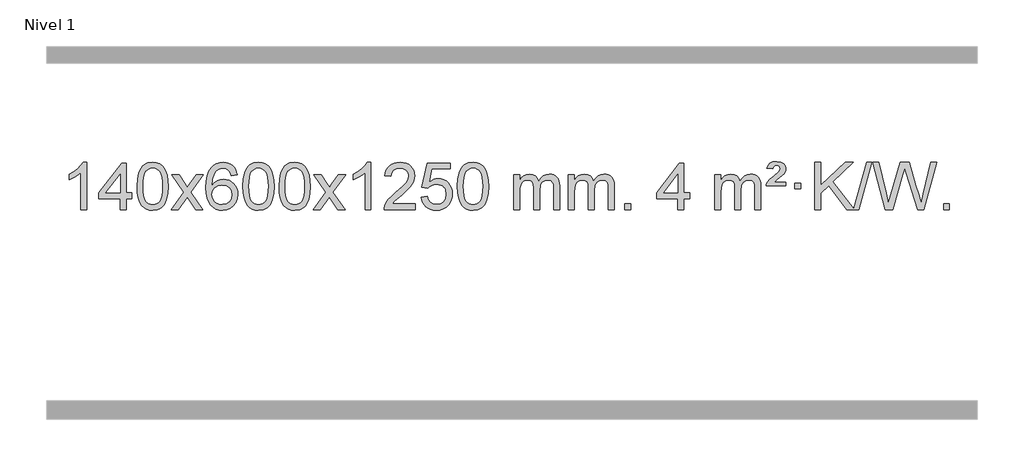
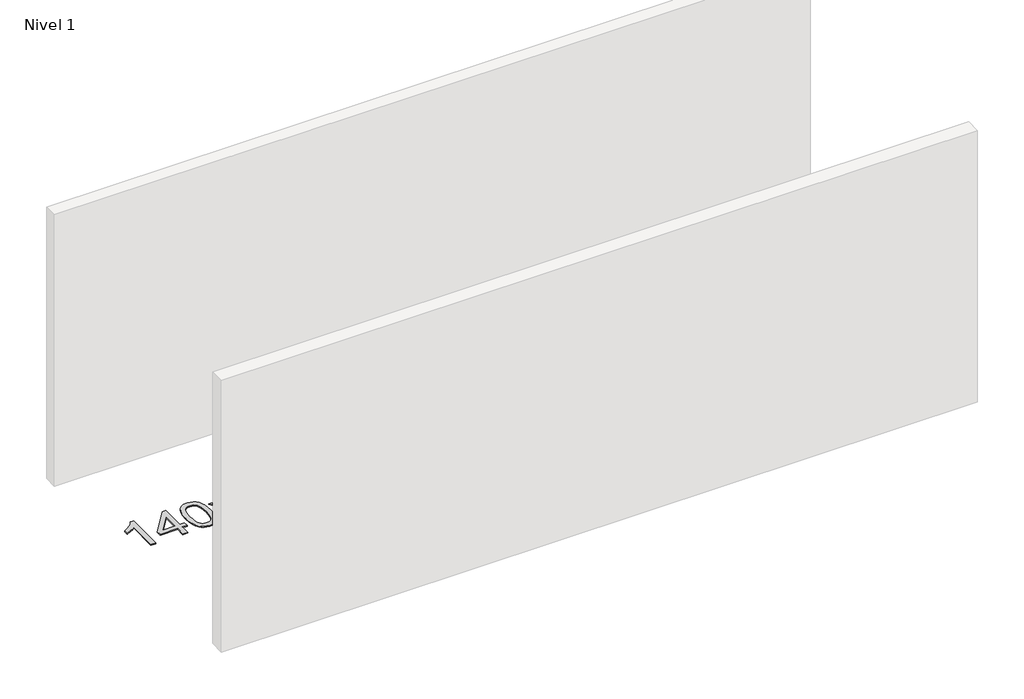
# One storey, part 5 of 12: 1 proxy.
"""IFC4 building model written with IfcOpenShell, lengths in millimetres."""

from ifc_helpers import new_model, si_unit, origin, origin_with_axes, place, context, project, spatial, polyline, outline, extrude, element, save

model = new_model("IFC4")

# Units and contexts
model_context = context("Model", 3, world=origin())
ifc_project = project(units=[si_unit("LENGTHUNIT", "METRE", prefix="MILLI")], contexts=[model_context])

# Site, building, storey
site = spatial("IfcSite", under=ifc_project)
building = spatial("IfcBuilding", under=site)
storey = spatial("IfcBuildingStorey", under=building, Name="Nivel 1", Elevation=0.0)

# Proxy
placement = place(None, origin())
element("IfcBuildingElementProxy", 1, Name="Texto de modelo 1", ObjectType="Texto de modelo 1", at=placement, inside=storey, context=model_context, shape_type="SweptSolid", body=[
    extrude(outline(polyline([(-6189.3326366, -18407.579453), (-6239.5607917, -18407.579453), (-6239.5607917, -18094.4382987), (-6260.5300654, -18111.3976587), (-6287.1401964, -18128.3324932), (-6340.0171019, -18153.6918254), (-6340.0171019, -18106.2105225), (-6300.5678892, -18084.7507395), (-6266.3916519, -18059.219729), (-6239.4504271, -18032.0700378), (-6221.7062522, -18005.7542124), (-6189.3326366, -18005.7542124), (-6189.3326366, -18407.579453)])), origin_with_axes(), (0.0, 0.0, 1.0), 10.0),
    extrude(outline(polyline([(-5906.7992643, -18407.579453), (-5906.7992643, -18313.4016622), (-6088.8763265, -18313.4016622), (-6088.8763265, -18263.1735072), (-5894.2422256, -18012.0327318), (-5856.5711093, -18012.0327318), (-5856.5711093, -18263.1735072), (-5806.3429542, -18263.1735072), (-5806.3429542, -18313.4016622), (-5856.5711093, -18313.4016622), (-5856.5711093, -18407.579453), (-5906.7992643, -18407.579453)]), holes=[polyline([(-5906.7992643, -18263.1735072), (-5906.7992643, -18107.9763561), (-6027.0721513, -18263.1735072), (-5906.7992643, -18263.1735072)])]), origin_with_axes(), (0.0, 0.0, 1.0), 10.0),
    extrude(outline(polyline([(-5762.3933185, -18209.9041943), (-5758.7022358, -18145.5861588), (-5747.6289878, -18094.2911459), (-5729.2839389, -18055.2343407), (-5717.4258759, -18040.0009605), (-5703.7774539, -18027.6309284), (-5688.2926876, -18018.0598651), (-5670.9255918, -18011.2233914), (-5630.5444114, -18005.7542124), (-5599.5932729, -18008.991574), (-5571.8794959, -18018.7036586), (-5548.7029302, -18034.5103217), (-5531.3634255, -18056.0314184), (-5518.2668265, -18083.0830078), (-5507.8189778, -18115.4811488), (-5500.9763727, -18156.6226186), (-5498.6955043, -18209.9041943), (-5502.3497988, -18273.8543477), (-5513.3126823, -18325.0267333), (-5531.5473665, -18364.1203266), (-5543.3778383, -18379.3996922), (-5557.0170633, -18391.8341036), (-5572.5202237, -18401.4695462), (-5589.9425019, -18408.3520052), (-5630.5444114, -18413.8579724), (-5658.2091375, -18411.4667394), (-5682.7346038, -18404.2930405), (-5704.1208105, -18392.3368757), (-5722.3677574, -18375.5982449), (-5739.8789404, -18345.3399508), (-5752.3869282, -18307.6381776), (-5759.8917209, -18262.4929255), (-5762.3933185, -18209.9041943)]), holes=[polyline([(-5712.1651634, -18209.8060924), (-5710.6936354, -18253.4706195), (-5706.2790515, -18288.8148822), (-5698.9214116, -18315.8388804), (-5688.6207157, -18334.5426142), (-5676.1617788, -18347.2682656), (-5662.3294158, -18356.3580165), (-5647.1236267, -18361.8118671), (-5630.5444114, -18363.6298173), (-5613.9651962, -18361.8057357), (-5598.759407, -18356.3334911), (-5584.927044, -18347.2130833), (-5572.4681071, -18334.4445124), (-5562.1674113, -18315.7101217), (-5554.8097713, -18288.6922549), (-5550.3951874, -18253.3909118), (-5548.9236594, -18209.8060924), (-5550.3461365, -18167.2973278), (-5554.6135676, -18132.5753989), (-5561.7259529, -18105.6403055), (-5571.6832922, -18086.4920476), (-5583.9337626, -18073.1440625), (-5597.9255412, -18063.6097875), (-5613.6586278, -18057.8892225), (-5631.1330226, -18055.9823675), (-5647.6263987, -18057.6623619), (-5662.5746705, -18062.7023452), (-5675.9778378, -18071.1023175), (-5687.8359008, -18082.8622786), (-5698.4799532, -18103.708925), (-5706.0828478, -18131.8151094), (-5710.6445845, -18167.1808319), (-5712.1651634, -18209.8060924)])]), origin_with_axes(), (0.0, 0.0, 1.0), 10.0),
    extrude(outline(polyline([(-5473.5814268, -18407.579453), (-5366.2579861, -18259.2494325), (-5467.3029074, -18112.4890419), (-5406.8721584, -18112.4890419), (-5358.1155313, -18183.122385), (-5335.3558985, -18216.4770192), (-5315.6374235, -18189.2047007), (-5260.1117677, -18112.4890419), (-5199.6810187, -18112.4890419), (-5305.827237, -18259.2494325), (-5203.6050933, -18407.579453), (-5264.0358424, -18407.579453), (-5325.545712, -18318.4048574), (-5336.8274265, -18302.1199477), (-5413.1506777, -18407.579453), (-5473.5814268, -18407.579453)])), origin_with_axes(), (0.0, 0.0, 1.0), 10.0),
    extrude(outline(polyline([(-4914.7932016, -18112.4890419), (-4965.0213567, -18118.7675613), (-4973.1147606, -18093.874213), (-4984.0531186, -18076.8780648), (-5006.8372768, -18061.2062918), (-5034.3793755, -18055.9823675), (-5057.7276195, -18059.0235253), (-5079.7024373, -18068.1469988), (-5098.5747837, -18087.3627017), (-5113.9890393, -18113.8134171), (-5124.4000997, -18151.227016), (-5128.2628607, -18203.3313693), (-5108.1151901, -18179.8237098), (-5083.9698685, -18163.2567573), (-5057.1757965, -18153.434308), (-5029.0818748, -18150.1601582), (-5004.9488159, -18152.398107), (-4982.6796924, -18159.1119534), (-4962.2745044, -18170.3016975), (-4943.7332519, -18185.9673391), (-4928.3251277, -18205.1769106), (-4917.3193246, -18226.9984443), (-4910.7158428, -18251.4319401), (-4908.5146822, -18278.4773982), (-4912.659486, -18314.4439945), (-4925.0938975, -18347.786366), (-4944.7878469, -18376.0642287), (-4970.7112649, -18396.8372987), (-5001.6869289, -18409.602804), (-5036.5376165, -18413.8579724), (-5066.4801453, -18411.0375437), (-5093.5225376, -18402.5762579), (-5117.6647935, -18388.4741147), (-5138.9069131, -18368.7311143), (-5156.224958, -18342.5133908), (-5168.5949901, -18308.9870783), (-5176.0170093, -18268.1521768), (-5178.4910157, -18220.0086864), (-5175.7441635, -18166.0342663), (-5167.5036068, -18119.9693092), (-5153.7693457, -18081.8138149), (-5134.5413801, -18051.5677835), (-5113.700865, -18031.5243462), (-5089.5371493, -18017.2076052), (-5062.0502329, -18008.6175606), (-5031.2401158, -18005.7542124), (-5008.1064697, -18007.5261773), (-4987.1678528, -18012.8420722), (-4968.4242651, -18021.7018969), (-4951.8757067, -18034.1056515), (-4937.9697673, -18049.6364031), (-4927.1540366, -18067.8772186), (-4919.4285147, -18088.8280983), (-4914.7932016, -18112.4890419)]), holes=[polyline([(-5128.2628607, -18277.6925832), (-5125.3565929, -18299.9494439), (-5116.6377896, -18321.2007605), (-5103.0997322, -18339.472233), (-5085.735702, -18352.7895612), (-5064.778691, -18360.9197533), (-5040.4616912, -18363.6298173), (-5007.3155234, -18358.0134855), (-4993.4003869, -18350.9930708), (-4981.2572154, -18341.1644901), (-4971.407175, -18328.9262824), (-4964.3714318, -18314.6769865), (-4958.7428373, -18280.1451299), (-4964.2978554, -18246.9989621), (-4971.2416281, -18233.3781312), (-4980.9629098, -18221.725469), (-4993.1428695, -18212.3904634), (-5007.4626762, -18205.7226022), (-5042.5218303, -18200.3883133), (-5075.6189472, -18205.7226022), (-5103.2959359, -18221.725469), (-5114.2189655, -18233.2248471), (-5122.0211295, -18246.3858254), (-5126.7024279, -18261.2084042), (-5128.2628607, -18277.6925832)])]), origin_with_axes(), (0.0, 0.0, 1.0), 10.0),
    extrude(outline(polyline([(-4864.5650465, -18209.9041943), (-4860.8739638, -18145.5861588), (-4849.8007158, -18094.2911459), (-4831.455667, -18055.2343407), (-4819.597604, -18040.0009605), (-4805.949182, -18027.6309284), (-4790.4644157, -18018.0598651), (-4773.0973198, -18011.2233914), (-4732.7161395, -18005.7542124), (-4701.7650009, -18008.991574), (-4674.051224, -18018.7036586), (-4650.8746583, -18034.5103217), (-4633.5351536, -18056.0314184), (-4620.4385545, -18083.0830078), (-4609.9907059, -18115.4811488), (-4603.1481008, -18156.6226186), (-4600.8672324, -18209.9041943), (-4604.5215269, -18273.8543477), (-4615.4844103, -18325.0267333), (-4633.7190946, -18364.1203266), (-4645.5495664, -18379.3996922), (-4659.1887914, -18391.8341036), (-4674.6919518, -18401.4695462), (-4692.1142299, -18408.3520052), (-4732.7161395, -18413.8579724), (-4760.3808655, -18411.4667394), (-4784.9063318, -18404.2930405), (-4806.2925385, -18392.3368757), (-4824.5394855, -18375.5982449), (-4842.0506684, -18345.3399508), (-4854.5586563, -18307.6381776), (-4862.063449, -18262.4929255), (-4864.5650465, -18209.9041943)]), holes=[polyline([(-4814.3368915, -18209.8060924), (-4812.8653635, -18253.4706195), (-4808.4507795, -18288.8148822), (-4801.0931396, -18315.8388804), (-4790.7924438, -18334.5426142), (-4778.3335069, -18347.2682656), (-4764.5011438, -18356.3580165), (-4749.2953547, -18361.8118671), (-4732.7161395, -18363.6298173), (-4716.1369242, -18361.8057357), (-4700.9311351, -18356.3334911), (-4687.0987721, -18347.2130833), (-4674.6398352, -18334.4445124), (-4664.3391393, -18315.7101217), (-4656.9814994, -18288.6922549), (-4652.5669154, -18253.3909118), (-4651.0953875, -18209.8060924), (-4652.5178645, -18167.2973278), (-4656.7852957, -18132.5753989), (-4663.8976809, -18105.6403055), (-4673.8550202, -18086.4920476), (-4686.1054907, -18073.1440625), (-4700.0972692, -18063.6097875), (-4715.8303559, -18057.8892225), (-4733.3047507, -18055.9823675), (-4749.7981268, -18057.6623619), (-4764.7463985, -18062.7023452), (-4778.1495659, -18071.1023175), (-4790.0076288, -18082.8622786), (-4800.6516812, -18103.708925), (-4808.2545758, -18131.8151094), (-4812.8163125, -18167.1808319), (-4814.3368915, -18209.8060924)])]), origin_with_axes(), (0.0, 0.0, 1.0), 10.0),
    extrude(outline(polyline([(-4556.9175967, -18209.9041943), (-4553.226514, -18145.5861588), (-4542.153266, -18094.2911459), (-4523.8082171, -18055.2343407), (-4511.9501542, -18040.0009605), (-4498.3017321, -18027.6309284), (-4482.8169658, -18018.0598651), (-4465.44987, -18011.2233914), (-4425.0686896, -18005.7542124), (-4394.1175511, -18008.991574), (-4366.4037741, -18018.7036586), (-4343.2272084, -18034.5103217), (-4325.8877037, -18056.0314184), (-4312.7911047, -18083.0830078), (-4302.343256, -18115.4811488), (-4295.5006509, -18156.6226186), (-4293.2197826, -18209.9041943), (-4296.874077, -18273.8543477), (-4307.8369605, -18325.0267333), (-4326.0716447, -18364.1203266), (-4337.9021166, -18379.3996922), (-4351.5413415, -18391.8341036), (-4367.0445019, -18401.4695462), (-4384.4667801, -18408.3520052), (-4425.0686896, -18413.8579724), (-4452.7334157, -18411.4667394), (-4477.258882, -18404.2930405), (-4498.6450887, -18392.3368757), (-4516.8920356, -18375.5982449), (-4534.4032186, -18345.3399508), (-4546.9112064, -18307.6381776), (-4554.4159991, -18262.4929255), (-4556.9175967, -18209.9041943)]), holes=[polyline([(-4506.6894416, -18209.8060924), (-4505.2179136, -18253.4706195), (-4500.8033297, -18288.8148822), (-4493.4456898, -18315.8388804), (-4483.1449939, -18334.5426142), (-4470.686057, -18347.2682656), (-4456.853694, -18356.3580165), (-4441.6479049, -18361.8118671), (-4425.0686896, -18363.6298173), (-4408.4894744, -18361.8057357), (-4393.2836852, -18356.3334911), (-4379.4513222, -18347.2130833), (-4366.9923853, -18334.4445124), (-4356.6916895, -18315.7101217), (-4349.3340496, -18288.6922549), (-4344.9194656, -18253.3909118), (-4343.4479376, -18209.8060924), (-4344.8704147, -18167.2973278), (-4349.1378458, -18132.5753989), (-4356.2502311, -18105.6403055), (-4366.2075704, -18086.4920476), (-4378.4580408, -18073.1440625), (-4392.4498194, -18063.6097875), (-4408.182906, -18057.8892225), (-4425.6573008, -18055.9823675), (-4442.1506769, -18057.6623619), (-4457.0989487, -18062.7023452), (-4470.502116, -18071.1023175), (-4482.360179, -18082.8622786), (-4493.0042314, -18103.708925), (-4500.607126, -18131.8151094), (-4505.1688627, -18167.1808319), (-4506.6894416, -18209.8060924)])]), origin_with_axes(), (0.0, 0.0, 1.0), 10.0),
    extrude(outline(polyline([(-4268.105705, -18407.579453), (-4160.7822643, -18259.2494325), (-4261.8271856, -18112.4890419), (-4201.3964366, -18112.4890419), (-4152.6398095, -18183.122385), (-4129.8801767, -18216.4770192), (-4110.1617018, -18189.2047007), (-4054.6360459, -18112.4890419), (-3994.2052969, -18112.4890419), (-4100.3515152, -18259.2494325), (-3998.1293715, -18407.579453), (-4058.5601206, -18407.579453), (-4120.0699902, -18318.4048574), (-4131.3517047, -18302.1199477), (-4207.6749559, -18407.579453), (-4268.105705, -18407.579453)])), origin_with_axes(), (0.0, 0.0, 1.0), 10.0),
    extrude(outline(polyline([(-3778.381193, -18407.579453), (-3828.6093481, -18407.579453), (-3828.6093481, -18094.4382987), (-3849.5786218, -18111.3976587), (-3876.1887528, -18128.3324932), (-3929.0656583, -18153.6918254), (-3929.0656583, -18106.2105225), (-3889.6164456, -18084.7507395), (-3855.4402083, -18059.219729), (-3828.4989835, -18032.0700378), (-3810.7548086, -18005.7542124), (-3778.381193, -18005.7542124), (-3778.381193, -18407.579453)])), origin_with_axes(), (0.0, 0.0, 1.0), 10.0),
    extrude(outline(polyline([(-3401.67003, -18357.3512979), (-3401.67003, -18407.579453), (-3665.3678441, -18407.579453), (-3664.2641981, -18389.8965918), (-3659.9722415, -18372.9494945), (-3647.586881, -18345.8856424), (-3629.4625614, -18319.6311307), (-3603.2448379, -18292.1503456), (-3566.5792657, -18261.4076736), (-3512.3779851, -18213.2641831), (-3479.8572167, -18177.7267824), (-3463.5968325, -18148.884834), (-3458.1767044, -18120.8277005), (-3463.2902642, -18095.6768347), (-3478.6309434, -18074.7688747), (-3502.2121793, -18060.6789943), (-3532.0474091, -18055.9823675), (-3563.3786923, -18060.5686297), (-3587.7202177, -18074.3274163), (-3603.4287789, -18096.1796068), (-3608.8611697, -18125.0460807), (-3659.0893247, -18118.7675613), (-3654.769777, -18092.838012), (-3646.9124307, -18070.1826125), (-3635.5172859, -18050.8013627), (-3620.5843426, -18034.6942627), (-3602.4569573, -18022.0329907), (-3581.4784865, -18012.989225), (-3557.6489302, -18007.5629655), (-3530.9682885, -18005.7542124), (-3504.0485236, -18007.7653006), (-3480.0902086, -18013.7985654), (-3459.0933437, -18023.8540066), (-3441.0579289, -18037.9316242), (-3426.5725754, -18054.9890861), (-3416.2258943, -18073.9840598), (-3410.0178856, -18094.9165453), (-3407.9485494, -18117.7865427), (-3410.1803668, -18141.8092369), (-3416.8758191, -18165.4149983), (-3428.7584076, -18189.4254299), (-3446.5516334, -18214.6621347), (-3474.9153352, -18244.7916701), (-3518.5093516, -18283.4805933), (-3576.2913504, -18331.795762), (-3598.9528813, -18357.3512979), (-3401.67003, -18357.3512979)])), origin_with_axes(), (0.0, 0.0, 1.0), 10.0),
    extrude(outline(polyline([(-3351.4418749, -18300.8446235), (-3301.2137198, -18294.5661041), (-3291.9921445, -18324.7201649), (-3275.9034386, -18346.3148381), (-3253.0211785, -18359.3010725), (-3223.4189406, -18363.6298173), (-3204.2890768, -18362.1245668), (-3187.415556, -18357.6088153), (-3172.798378, -18350.0825628), (-3160.437543, -18339.5458094), (-3150.6089624, -18326.519721), (-3143.5885476, -18311.5254641), (-3137.9722158, -18275.6324441), (-3143.2329284, -18241.8363514), (-3149.808819, -18227.9181493), (-3159.015066, -18215.9865099), (-3170.882326, -18206.4154467), (-3185.4412559, -18199.5789729), (-3222.6341257, -18194.1097939), (-3247.0001765, -18196.2925604), (-3266.7309141, -18202.8408599), (-3282.4885263, -18212.8717757), (-3294.9352004, -18225.5023908), (-3345.1633555, -18219.2238715), (-3301.2137198, -18012.0327318), (-3106.5796189, -18012.0327318), (-3106.5796189, -18062.2608869), (-3260.5995476, -18062.2608869), (-3282.0838561, -18172.919791), (-3264.3580753, -18160.2155994), (-3246.2030988, -18151.1411769), (-3227.6189267, -18145.6965234), (-3208.6055589, -18143.8816388), (-3184.1444719, -18146.1318504), (-3161.6760791, -18152.882485), (-3141.2003803, -18164.1335427), (-3122.7173758, -18179.8850234), (-3107.4165505, -18199.1743027), (-3096.4873895, -18221.038756), (-3089.9298929, -18245.4783832), (-3087.7440608, -18272.4931844), (-3089.7122294, -18298.5147042), (-3095.6167355, -18322.7213394), (-3105.4575788, -18345.1130902), (-3119.2347595, -18365.6899565), (-3140.1059314, -18386.7634634), (-3164.4597195, -18401.8159684), (-3192.2961238, -18410.8474714), (-3223.6151443, -18413.8579724), (-3249.5354966, -18411.9235262), (-3272.9481199, -18406.1201877), (-3293.8530142, -18396.447957), (-3312.2501797, -18382.9068338), (-3327.5571364, -18366.1712688), (-3339.1914045, -18346.915712), (-3347.152984, -18325.1401636), (-3351.4418749, -18300.8446235)])), origin_with_axes(), (0.0, 0.0, 1.0), 10.0),
    extrude(outline(polyline([(-3043.7944251, -18209.9041943), (-3040.1033424, -18145.5861588), (-3029.0300943, -18094.2911459), (-3010.6850455, -18055.2343407), (-2998.8269825, -18040.0009605), (-2985.1785605, -18027.6309284), (-2969.6937942, -18018.0598651), (-2952.3266983, -18011.2233914), (-2911.945518, -18005.7542124), (-2880.9943795, -18008.991574), (-2853.2806025, -18018.7036586), (-2830.1040368, -18034.5103217), (-2812.7645321, -18056.0314184), (-2799.6679331, -18083.0830078), (-2789.2200844, -18115.4811488), (-2782.3774793, -18156.6226186), (-2780.0966109, -18209.9041943), (-2783.7509054, -18273.8543477), (-2794.7137889, -18325.0267333), (-2812.9484731, -18364.1203266), (-2824.7789449, -18379.3996922), (-2838.4181699, -18391.8341036), (-2853.9213303, -18401.4695462), (-2871.3436085, -18408.3520052), (-2911.945518, -18413.8579724), (-2939.610244, -18411.4667394), (-2964.1357104, -18404.2930405), (-2985.521917, -18392.3368757), (-3003.768864, -18375.5982449), (-3021.280047, -18345.3399508), (-3033.7880348, -18307.6381776), (-3041.2928275, -18262.4929255), (-3043.7944251, -18209.9041943)]), holes=[polyline([(-2993.56627, -18209.8060924), (-2992.094742, -18253.4706195), (-2987.6801581, -18288.8148822), (-2980.3225182, -18315.8388804), (-2970.0218223, -18334.5426142), (-2957.5628854, -18347.2682656), (-2943.7305224, -18356.3580165), (-2928.5247332, -18361.8118671), (-2911.945518, -18363.6298173), (-2895.3663027, -18361.8057357), (-2880.1605136, -18356.3334911), (-2866.3281506, -18347.2130833), (-2853.8692137, -18334.4445124), (-2843.5685178, -18315.7101217), (-2836.2108779, -18288.6922549), (-2831.796294, -18253.3909118), (-2830.324766, -18209.8060924), (-2831.747243, -18167.2973278), (-2836.0146742, -18132.5753989), (-2843.1270594, -18105.6403055), (-2853.0843988, -18086.4920476), (-2865.3348692, -18073.1440625), (-2879.3266478, -18063.6097875), (-2895.0597344, -18057.8892225), (-2912.5341292, -18055.9823675), (-2929.0275053, -18057.6623619), (-2943.975777, -18062.7023452), (-2957.3789444, -18071.1023175), (-2969.2370074, -18082.8622786), (-2979.8810598, -18103.708925), (-2987.4839543, -18131.8151094), (-2992.0456911, -18167.1808319), (-2993.56627, -18209.8060924)])]), origin_with_axes(), (0.0, 0.0, 1.0), 10.0),
    extrude(outline(polyline([(-2566.6269519, -18407.579453), (-2566.6269519, -18112.4890419), (-2516.3987968, -18112.4890419), (-2516.3987968, -18161.0494653), (-2501.2911095, -18138.7435537), (-2481.8669402, -18121.2691589), (-2458.7884763, -18109.9751816), (-2432.7179056, -18106.2105225), (-2404.7833994, -18110.048758), (-2382.3916487, -18121.5634645), (-2365.6652806, -18139.9943524), (-2354.7269226, -18164.5811324), (-2336.418662, -18139.0439906), (-2315.5352274, -18120.803175), (-2292.0766189, -18109.8586857), (-2266.0428363, -18106.2105225), (-2245.9350196, -18107.7280358), (-2228.2858809, -18112.2805755), (-2213.0954202, -18119.8681416), (-2200.3636375, -18130.4907342), (-2190.2989992, -18144.2709806), (-2183.1099719, -18161.3315082), (-2178.7965555, -18181.6723168), (-2177.35875, -18205.2934066), (-2177.35875, -18407.579453), (-2227.5869051, -18407.579453), (-2227.5869051, -18226.875817), (-2228.7518648, -18201.8230531), (-2232.2467437, -18184.9372695), (-2238.7950432, -18173.3735121), (-2249.1202646, -18164.2868268), (-2262.4008046, -18158.4007149), (-2277.8150602, -18156.4386776), (-2305.0260651, -18161.4663982), (-2327.2093494, -18176.54956), (-2335.8147224, -18188.1194488), (-2341.9614174, -18202.7182326), (-2346.8787734, -18241.0024856), (-2346.8787734, -18407.579453), (-2397.1069285, -18407.579453), (-2397.1069285, -18221.2840106), (-2400.0131962, -18192.8835206), (-2408.7319995, -18172.6254854), (-2424.0726787, -18160.4853796), (-2446.8445742, -18156.4386776), (-2466.1951672, -18159.1364789), (-2484.0251812, -18167.2298828), (-2498.740461, -18180.5226856), (-2508.7468513, -18198.8186835), (-2514.4858104, -18224.2025411), (-2516.3987968, -18258.7589232), (-2516.3987968, -18407.579453), (-2566.6269519, -18407.579453)])), origin_with_axes(), (0.0, 0.0, 1.0), 10.0),
    extrude(outline(polyline([(-2102.0165174, -18407.579453), (-2102.0165174, -18112.4890419), (-2051.7883623, -18112.4890419), (-2051.7883623, -18161.0494653), (-2036.6806751, -18138.7435537), (-2017.2565057, -18121.2691589), (-1994.1780419, -18109.9751816), (-1968.1074712, -18106.2105225), (-1940.172965, -18110.048758), (-1917.7812142, -18121.5634645), (-1901.0548462, -18139.9943524), (-1890.1164882, -18164.5811324), (-1871.8082276, -18139.0439906), (-1850.924793, -18120.803175), (-1827.4661844, -18109.8586857), (-1801.4324019, -18106.2105225), (-1781.3245852, -18107.7280358), (-1763.6754465, -18112.2805755), (-1748.4849857, -18119.8681416), (-1735.753203, -18130.4907342), (-1725.6885648, -18144.2709806), (-1718.4995374, -18161.3315082), (-1714.1861211, -18181.6723168), (-1712.7483156, -18205.2934066), (-1712.7483156, -18407.579453), (-1762.9764707, -18407.579453), (-1762.9764707, -18226.875817), (-1764.1414303, -18201.8230531), (-1767.6363093, -18184.9372695), (-1774.1846088, -18173.3735121), (-1784.5098301, -18164.2868268), (-1797.7903701, -18158.4007149), (-1813.2046257, -18156.4386776), (-1840.4156306, -18161.4663982), (-1862.598915, -18176.54956), (-1871.204288, -18188.1194488), (-1877.350983, -18202.7182326), (-1882.268339, -18241.0024856), (-1882.268339, -18407.579453), (-1932.496494, -18407.579453), (-1932.496494, -18221.2840106), (-1935.4027618, -18192.8835206), (-1944.1215651, -18172.6254854), (-1959.4622443, -18160.4853796), (-1982.2341398, -18156.4386776), (-2001.5847327, -18159.1364789), (-2019.4147468, -18167.2298828), (-2034.1300266, -18180.5226856), (-2044.1364168, -18198.8186835), (-2049.875376, -18224.2025411), (-2051.7883623, -18258.7589232), (-2051.7883623, -18407.579453), (-2102.0165174, -18407.579453)])), origin_with_axes(), (0.0, 0.0, 1.0), 10.0),
    extrude(outline(polyline([(-1624.8490442, -18407.579453), (-1624.8490442, -18357.3512979), (-1574.6208891, -18357.3512979), (-1574.6208891, -18407.579453), (-1624.8490442, -18407.579453)])), origin_with_axes(), (0.0, 0.0, 1.0), 10.0),
    extrude(outline(polyline([(-1172.7956485, -18407.579453), (-1172.7956485, -18313.4016622), (-1354.8727107, -18313.4016622), (-1354.8727107, -18263.1735072), (-1160.2386098, -18012.0327318), (-1122.5674935, -18012.0327318), (-1122.5674935, -18263.1735072), (-1072.3393384, -18263.1735072), (-1072.3393384, -18313.4016622), (-1122.5674935, -18313.4016622), (-1122.5674935, -18407.579453), (-1172.7956485, -18407.579453)]), holes=[polyline([(-1172.7956485, -18263.1735072), (-1172.7956485, -18107.9763561), (-1293.0685355, -18263.1735072), (-1172.7956485, -18263.1735072)])]), origin_with_axes(), (0.0, 0.0, 1.0), 10.0),
    extrude(outline(polyline([(-858.8696793, -18407.579453), (-858.8696793, -18112.4890419), (-808.6415242, -18112.4890419), (-808.6415242, -18161.0494653), (-793.533837, -18138.7435537), (-774.1096676, -18121.2691589), (-751.0312038, -18109.9751816), (-724.9606331, -18106.2105225), (-697.0261269, -18110.048758), (-674.6343761, -18121.5634645), (-657.9080081, -18139.9943524), (-646.9696501, -18164.5811324), (-628.6613895, -18139.0439906), (-607.7779549, -18120.803175), (-584.3193463, -18109.8586857), (-558.2855638, -18106.2105225), (-538.1777471, -18107.7280358), (-520.5286084, -18112.2805755), (-505.3381476, -18119.8681416), (-492.6063649, -18130.4907342), (-482.5417267, -18144.2709806), (-475.3526993, -18161.3315082), (-471.0392829, -18181.6723168), (-469.6014775, -18205.2934066), (-469.6014775, -18407.579453), (-519.8296326, -18407.579453), (-519.8296326, -18226.875817), (-520.9945922, -18201.8230531), (-524.4894712, -18184.9372695), (-531.0377707, -18173.3735121), (-541.362992, -18164.2868268), (-554.643532, -18158.4007149), (-570.0577876, -18156.4386776), (-597.2687925, -18161.4663982), (-619.4520769, -18176.54956), (-628.0574499, -18188.1194488), (-634.2041449, -18202.7182326), (-639.1215009, -18241.0024856), (-639.1215009, -18407.579453), (-689.3496559, -18407.579453), (-689.3496559, -18221.2840106), (-692.2559237, -18192.8835206), (-700.974727, -18172.6254854), (-716.3154062, -18160.4853796), (-739.0873017, -18156.4386776), (-758.4378946, -18159.1364789), (-776.2679087, -18167.2298828), (-790.9831885, -18180.5226856), (-800.9895787, -18198.8186835), (-806.7285379, -18224.2025411), (-808.6415242, -18258.7589232), (-808.6415242, -18407.579453), (-858.8696793, -18407.579453)])), origin_with_axes(), (0.0, 0.0, 1.0), 10.0),
    extrude(outline(polyline([(-425.6518418, -18206.6668327), (-421.825869, -18190.8479069), (-413.4872105, -18174.9799302), (-391.9783765, -18149.8413272), (-360.0216939, -18122.1030247), (-315.8758544, -18084.726214), (-308.7389437, -18073.1992448), (-306.3599735, -18061.3779701), (-308.2484344, -18049.2869152), (-313.9138171, -18039.5012541), (-323.2825453, -18033.026531), (-336.2810424, -18030.8682899), (-348.7154539, -18032.4869707), (-357.5691472, -18037.343013), (-363.9948194, -18046.8098431), (-369.1451673, -18062.2608869), (-419.3733224, -18055.9823675), (-408.5330663, -18030.7701881), (-391.9048001, -18013.2099542), (-368.1396232, -18002.9092583), (-335.888635, -17999.475693), (-300.1059796, -18003.6082341), (-275.359784, -18016.0058573), (-260.9388098, -18034.3386434), (-256.1318184, -18056.2766731), (-260.2275713, -18079.1834586), (-272.5148299, -18100.8149199), (-293.0426453, -18120.6314968), (-329.5120137, -18148.6886303), (-355.1166006, -18175.2742358), (-256.1318184, -18175.2742358), (-256.1318184, -18206.6668327), (-425.6518418, -18206.6668327)])), origin_with_axes(), (0.0, 0.0, 1.0), 10.0),
    extrude(outline(polyline([(-180.7895858, -18231.7809102), (-180.7895858, -18181.5527552), (-130.5614307, -18181.5527552), (-130.5614307, -18231.7809102), (-180.7895858, -18231.7809102)])), origin_with_axes(), (0.0, 0.0, 1.0), 10.0),
    extrude(outline(polyline([(260.0801972, -18407.579453), (106.6488798, -18204.9009991), (38.9585926, -18269.4520265), (38.9585926, -18407.579453), (-11.2695624, -18407.579453), (-11.2695624, -18005.7542124), (38.9585926, -18005.7542124), (38.9585926, -18202.4484525), (244.9725099, -18005.7542124), (315.2134456, -18005.7542124), (142.2598569, -18170.9577537), (316.9134667, -18401.5349332), (428.2267945, -18005.7542124), (473.5498563, -18005.7542124), (360.5365074, -18407.579453), (321.4919649, -18407.579453), (315.2134456, -18407.579453), (260.0801972, -18407.579453)])), origin_with_axes(), (0.0, 0.0, 1.0), 10.0),
    extrude(outline(polyline([(588.0347332, -18407.579453), (478.4549496, -18005.7542124), (530.2527345, -18005.7542124), (593.8227432, -18269.844434), (613.4431163, -18351.3670841), (634.4369155, -18279.2622131), (714.0956302, -18005.7542124), (788.7511498, -18005.7542124), (846.6312503, -18204.0180823), (871.4264968, -18277.5944814), (889.6979692, -18351.3670841), (908.7297311, -18272.1988788), (972.8883511, -18005.7542124), (1024.686136, -18005.7542124), (915.0082505, -18407.579453), (861.3465301, -18407.579453), (765.0104983, -18097.5775584), (751.5705428, -18054.3146358), (736.4628555, -18106.4067263), (648.661686, -18407.579453), (588.0347332, -18407.579453)])), origin_with_axes(), (0.0, 0.0, 1.0), 10.0),
    extrude(outline(polyline([(1081.1928104, -18407.579453), (1081.1928104, -18357.3512979), (1131.4209655, -18357.3512979), (1131.4209655, -18407.579453), (1081.1928104, -18407.579453)])), origin_with_axes(), (0.0, 0.0, 1.0), 10.0),
])

save(model, "model.ifc")
